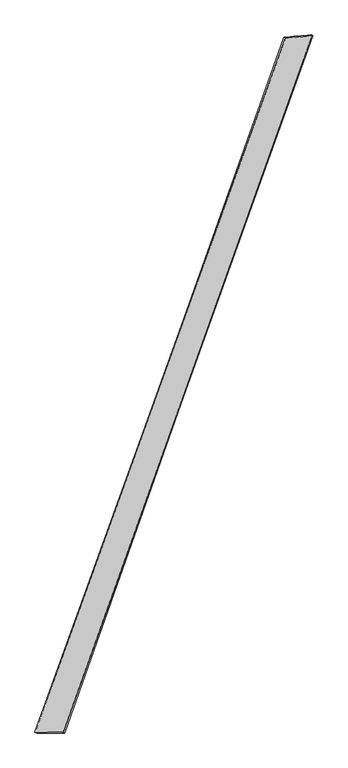
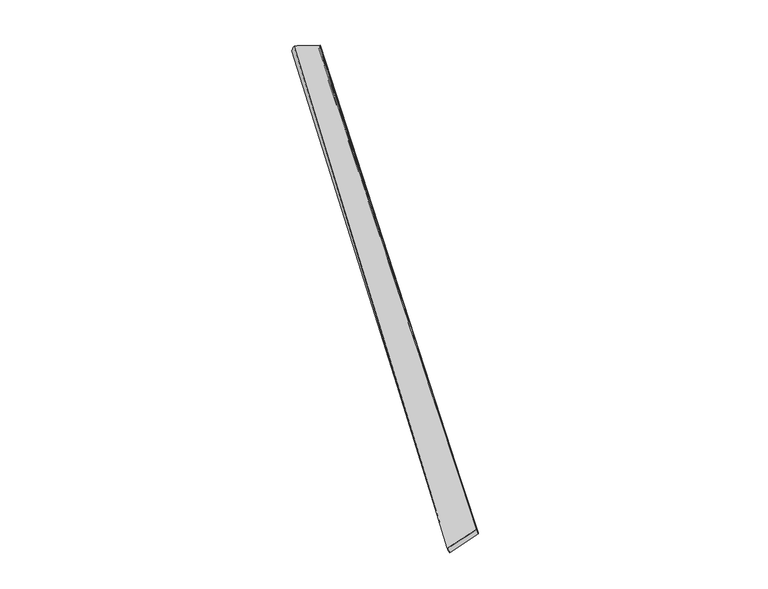
"""IFC4 building model written with IfcOpenShell, lengths in millimetres: proxy geometry."""

from ifc_helpers import new_model, si_unit, origin, place, context, project, spatial, source, transform, mapped, element, save
from ifc_brep_helpers import spline_surface, advanced_brep


def generic_models_629f3eec(model_context):
    return source(origin(), model_context, "Body", "AdvancedBrep", [
        advanced_brep(
        [(-733.4672658, -1858.1170733, -28.8047085), (-744.779562, -1854.4944097, -1.2564188), (732.1419651, 2227.8525256, 58.6565002), (721.6481057, 2231.9913658, 30.8581384), (-577.5277641, -1857.4336398, 57.3166405), (892.7039443, 2243.1845426, -3.3246187), (-569.2525841, -1860.7696247, 28.6741441), (881.0717441, 2246.8953322, -30.727574)],
        [
            (0, 1),
            (1, 2),
            (2, 3),
            (3, 0),
            (1, 4),
            (4, 5),
            (5, 2),
            (4, 6),
            (6, 7),
            (7, 5),
            (6, 0),
            (3, 7),
        ],
        [
            spline_surface(1, 1, [[(-733.4672658, -1858.1170733, -28.8047085), (721.6481057, 2231.9913658, 30.8581384)], [(-744.779562, -1854.4944097, -1.2564188), (732.1419651, 2227.8525256, 58.6565002)]], [2, 2], [2, 2], [0.0, 1.0], [0.0, 1.0]),
            spline_surface(1, 1, [[(-744.779562, -1854.4944097, -1.2564188), (732.1419651, 2227.8525256, 58.6565002)], [(-577.5277641, -1857.4336398, 57.3166405), (892.7039443, 2243.1845426, -3.3246187)]], [2, 2], [2, 2], [0.0, 1.0], [0.0, 1.0]),
            spline_surface(1, 1, [[(-577.5277641, -1857.4336398, 57.3166405), (892.7039443, 2243.1845426, -3.3246187)], [(-569.2525841, -1860.7696247, 28.6741441), (881.0717441, 2246.8953322, -30.727574)]], [2, 2], [2, 2], [0.0, 1.0], [0.0, 1.0]),
            spline_surface(1, 1, [[(-569.2525841, -1860.7696247, 28.6741441), (881.0717441, 2246.8953322, -30.727574)], [(-733.4672658, -1858.1170733, -28.8047085), (721.6481057, 2231.9913658, 30.8581384)]], [2, 2], [2, 2], [0.0, 1.0], [0.0, 1.0]),
            spline_surface(1, 1, [[(732.1419651, 2227.8525256, 58.6565002), (721.6481057, 2231.9913658, 30.8581384)], [(892.7039443, 2243.1845426, -3.3246187), (881.0717441, 2246.8953322, -30.727574)]], [2, 2], [2, 2], [0.0, 1.0], [0.0, 1.0]),
            spline_surface(1, 1, [[(-569.2525841, -1860.7696247, 28.6741441), (-733.4672658, -1858.1170733, -28.8047085)], [(-577.5277641, -1857.4336398, 57.3166405), (-744.779562, -1854.4944097, -1.2564188)]], [2, 2], [2, 2], [0.0, 1.0], [0.0, 1.0]),
        ],
        [
            (0, [[1, 2, 3, 4]]),
            (1, [[5, 6, 7, -2]]),
            (2, [[8, 9, 10, -6]]),
            (3, [[11, -4, 12, -9]]),
            (4, [[-3, -7, -10, -12]]),
            (5, [[-11, -8, -5, -1]]),
        ],
    ),
    ])


if __name__ == "__main__":
    model = new_model("IFC4")
    model_context = context("Model", 3, world=origin())
    ifc_project = project(units=[si_unit("LENGTHUNIT", "METRE", prefix="MILLI")], contexts=[model_context])
    site = spatial("IfcSite", under=ifc_project)
    building = spatial("IfcBuilding", under=site)
    placement = place(None, origin())
    generic_models_shape = generic_models_629f3eec(model_context)
    element("IfcBuildingElementProxy", 1, Name="Generic Models", at=placement, inside=building, context=model_context, shape_type="MappedRepresentation", body=[
        mapped(generic_models_shape, transform((0.0, 0.0, 0.0), x_axis=(1.0, 0.0, 0.0), y_axis=(0.0, 1.0, 0.0), z_axis=(0.0, 0.0, 1.0))),
    ])
    save(model, "model.ifc")
